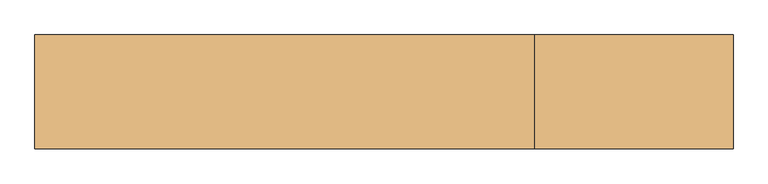
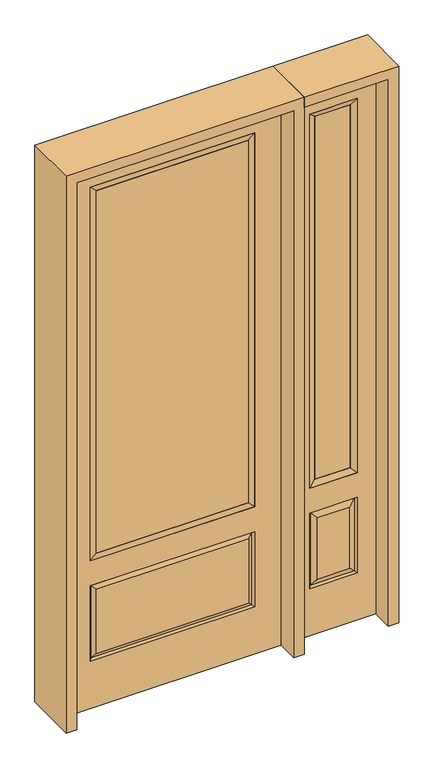
"""IFC4 building model written with IfcOpenShell, lengths in millimetres: door geometry."""

from ifc_helpers import new_model, si_unit, frame, origin, place, context, project, spatial, polyline, outline, extrude, faceted_brep, source, transform, mapped, element, save


def door_b7d1d733(model_context):
    return source(origin(), model_context, "Body", "SolidModel", [
        faceted_brep([(501.65, -22.225, 0.0), (857.25, -22.225, 0.0), (857.25, -22.225, 2438.4), (501.65, -22.225, 2438.4), (779.78, -22.225, 2325.624), (779.78, -22.225, 657.098), (579.12, -22.225, 657.098), (579.12, -22.225, 2325.624), (779.78, -22.225, 209.55), (579.12, -22.225, 209.55), (579.12, -22.225, 546.1), (779.78, -22.225, 546.1), (610.8351001, -22.225, 241.2651001), (748.0648999, -22.225, 241.2651001), (748.0648999, -22.225, 514.3848999), (610.8351001, -22.225, 514.3848999), (501.65, 22.225, 0.0), (501.65, 22.225, 2438.4), (857.25, 22.225, 2438.4), (857.25, 22.225, 0.0), (779.78, 22.225, 2325.624), (579.12, 22.225, 2325.624), (579.12, 22.225, 657.098), (779.78, 22.225, 657.098), (579.12, 22.225, 209.55), (779.78, 22.225, 209.55), (779.78, 22.225, 546.1), (579.12, 22.225, 546.1), (748.0648999, 22.225, 241.2651001), (610.8351001, 22.225, 241.2651001), (610.8351001, 22.225, 514.3848999), (748.0648999, 22.225, 514.3848999), (772.6711499, 12.7912373, 216.6588501), (586.2288501, 12.7912373, 216.6588501), (586.2288501, 12.7912373, 538.9911499), (772.6711499, 12.7912373, 538.9911499), (586.2288501, -12.7912373, 216.6588501), (772.6711499, -12.7912373, 216.6588501), (586.2288501, -12.7912373, 538.9911499), (772.6711499, -12.7912373, 538.9911499)], [[[0, 1, 2, 3], [4, 5, 6, 7], [8, 9, 10, 11]], [[12, 13, 14, 15]], [[16, 17, 18, 19], [20, 21, 22, 23], [24, 25, 26, 27]], [[28, 29, 30, 31]], [[1, 0, 16, 19]], [[2, 1, 19, 18]], [[3, 2, 18, 17]], [[0, 3, 17, 16]], [[5, 4, 20, 23]], [[6, 5, 23, 22]], [[7, 6, 22, 21]], [[4, 7, 21, 20]], [[32, 33, 29, 28]], [[33, 32, 25, 24]], [[29, 33, 34, 30]], [[33, 24, 27, 34]], [[30, 34, 35, 31]], [[34, 27, 26, 35]], [[32, 28, 31, 35]], [[25, 32, 35, 26]], [[12, 36, 37, 13]], [[37, 36, 9, 8]], [[36, 12, 15, 38]], [[9, 36, 38, 10]], [[38, 15, 14, 39]], [[10, 38, 39, 11]], [[13, 37, 39, 14]], [[37, 8, 11, 39]]]),
        faceted_brep([(579.12, 22.225, 2325.624), (579.12, -22.225, 2325.624), (779.78, -22.225, 2325.624), (779.78, 22.225, 2325.624), (604.52, 12.7, 2300.224), (754.38, 12.7, 2300.224), (604.52, -12.7, 2300.224), (754.38, -12.7, 2300.224), (779.78, -22.225, 657.098), (779.78, 22.225, 657.098), (754.38, 12.7, 682.498), (754.38, -12.7, 682.498), (579.12, -22.225, 657.098), (579.12, 22.225, 657.098), (604.52, 12.7, 682.498), (604.52, -12.7, 682.498)], [[[0, 1, 2, 3]], [[4, 0, 3, 5]], [[6, 4, 5, 7]], [[1, 6, 7, 2]], [[3, 2, 8, 9]], [[5, 3, 9, 10]], [[7, 5, 10, 11]], [[2, 7, 11, 8]], [[9, 8, 12, 13]], [[10, 9, 13, 14]], [[11, 10, 14, 15]], [[8, 11, 15, 12]], [[13, 12, 1, 0]], [[14, 13, 0, 4]], [[15, 14, 4, 6]], [[12, 15, 6, 1]]]),
        extrude(outline(polyline([(754.38, -12.7), (604.52, -12.7), (604.52, 12.7), (754.38, 12.7), (754.38, -12.7)])), frame((0.0, 0.0, 682.498), z_axis=(0.0, 0.0, 1.0), x_axis=(1.0, 0.0, 0.0)), (0.0, 0.0, 1.0), 1617.726),
        extrude(outline(polyline([(320.675, -20.32), (-320.675, -20.32), (-320.675, 5.08), (320.675, 5.08), (320.675, -20.32)])), frame((0.0, 0.0, 682.498), z_axis=(0.0, 0.0, 1.0), x_axis=(1.0, 0.0, 0.0)), (0.0, 0.0, 1.0), 1616.202),
        faceted_brep([(-338.9661499, -12.7912373, 216.6588501), (338.9661499, -12.7912373, 216.6588501), (321.46875, -22.225, 234.15625), (-321.46875, -22.225, 234.15625), (-346.075, -22.225, 209.55), (346.075, -22.225, 209.55), (-338.9661499, -12.7912373, 538.9911499), (-346.075, -22.225, 546.1), (321.46875, -22.225, 521.49375), (-321.46875, -22.225, 521.49375), (457.2, -22.225, 2438.4), (-457.2, -22.225, 2438.4), (-457.2, -22.225, 0.0), (457.2, -22.225, 0.0), (346.075, -22.225, 546.1), (346.075, -22.225, 2324.1), (346.075, -22.225, 657.098), (-346.075, -22.225, 657.098), (-346.075, -22.225, 2324.1), (338.9661499, -12.7912373, 538.9911499), (-457.2, 22.225, 2438.4), (-457.2, 22.225, 0.0), (457.2, 22.225, 0.0), (457.2, 22.225, 2438.4), (346.075, 22.225, 2324.1), (346.075, 22.225, 657.098), (-346.075, 22.225, 657.098), (-346.075, 22.225, 2324.1), (-346.075, 22.225, 209.55), (346.075, 22.225, 209.55), (346.075, 22.225, 546.1), (-346.075, 22.225, 546.1), (321.46875, 22.225, 234.15625), (-321.46875, 22.225, 234.15625), (-321.46875, 22.225, 521.49375), (321.46875, 22.225, 521.49375), (-338.9661499, 12.7912373, 216.6588501), (338.9661499, 12.7912373, 216.6588501), (338.9661499, 12.7912373, 538.9911499), (-338.9661499, 12.7912373, 538.9911499)], [[[0, 1, 2, 3]], [[1, 0, 4, 5]], [[4, 0, 6, 7]], [[3, 2, 8, 9]], [[10, 11, 12, 13], [5, 4, 7, 14], [15, 16, 17, 18]], [[1, 5, 14, 19]], [[2, 1, 19, 8]], [[0, 3, 9, 6]], [[7, 6, 19, 14]], [[6, 9, 8, 19]], [[12, 11, 20, 21]], [[13, 12, 21, 22]], [[10, 13, 22, 23]], [[16, 15, 24, 25]], [[17, 16, 25, 26]], [[18, 17, 26, 27]], [[23, 22, 21, 20], [28, 29, 30, 31], [24, 27, 26, 25]], [[32, 33, 34, 35]], [[28, 36, 37, 29]], [[29, 37, 38, 30]], [[39, 31, 30, 38]], [[36, 28, 31, 39]], [[37, 36, 33, 32]], [[33, 36, 39, 34]], [[34, 39, 38, 35]], [[37, 32, 35, 38]], [[11, 10, 23, 20]], [[15, 18, 27, 24]]]),
        faceted_brep([(-346.075, -22.225, 2324.1), (-346.075, 22.225, 2324.1), (-346.075, 22.225, 657.098), (-346.075, -22.225, 657.098), (346.075, 22.225, 657.098), (346.075, -22.225, 657.098), (-320.675, 5.08, 682.498), (320.675, 5.08, 682.498), (346.075, 22.225, 2324.1), (346.075, -22.225, 2324.1), (-320.675, -20.32, 682.498), (320.675, -20.32, 682.498), (-320.675, -20.32, 2298.7), (320.675, -20.32, 2298.7), (-320.675, 5.08, 2298.7), (320.675, 5.08, 2298.7)], [[[0, 1, 2, 3]], [[3, 2, 4, 5]], [[2, 6, 7, 4]], [[5, 4, 8, 9]], [[10, 3, 5, 11]], [[12, 0, 3, 10]], [[11, 5, 9, 13]], [[6, 10, 11, 7]], [[14, 12, 10, 6]], [[7, 11, 13, 15]], [[1, 14, 6, 2]], [[4, 7, 15, 8]], [[9, 8, 1, 0]], [[13, 9, 0, 12]], [[15, 13, 12, 14]], [[8, 15, 14, 1]]]),
        extrude(outline(polyline([(2482.85, -501.65), (0.0, -501.65), (0.0, -457.2), (2438.4, -457.2), (2438.4, 457.2), (0.0, 457.2), (0.0, 501.65), (2482.85, 501.65), (2482.85, -501.65)])), frame((0.0, -114.3, 0.0), z_axis=(0.0, 1.0, 0.0), x_axis=(0.0, 0.0, 1.0)), (0.0, 0.0, 1.0), 228.6),
        extrude(outline(polyline([(0.0, 857.25), (0.0, 901.7), (2482.85, 901.7), (2482.85, 501.65), (2438.4, 501.65), (2438.4, 857.25), (0.0, 857.25)])), frame((0.0, -114.3, 0.0), z_axis=(0.0, 1.0, 0.0), x_axis=(0.0, 0.0, 1.0)), (0.0, 0.0, 1.0), 228.6),
    ])


if __name__ == "__main__":
    model = new_model("IFC4")
    model_context = context("Model", 3, world=origin())
    ifc_project = project(units=[si_unit("LENGTHUNIT", "METRE", prefix="MILLI")], contexts=[model_context])
    site = spatial("IfcSite", under=ifc_project)
    building = spatial("IfcBuilding", under=site)
    placement = place(None, origin())
    door_shape = door_b7d1d733(model_context)
    element("IfcDoor", 1, at=placement, inside=building, context=model_context, shape_type="MappedRepresentation", body=[
        mapped(door_shape, transform((0.0, 0.0, 0.0), x_axis=(1.0, 0.0, 0.0), y_axis=(0.0, 1.0, 0.0), z_axis=(0.0, 0.0, 1.0))),
    ])
    save(model, "model.ifc")
